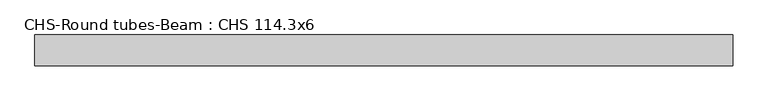
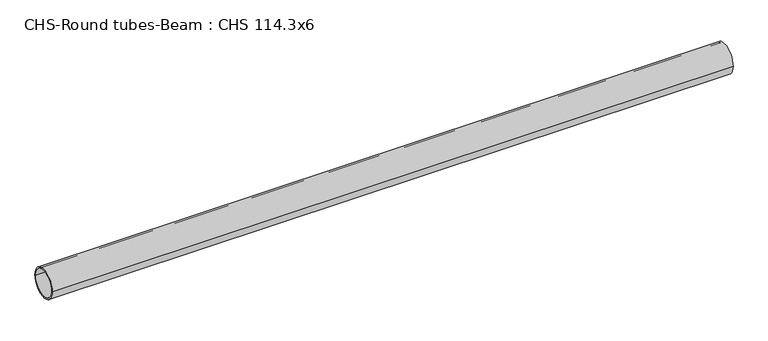
"""IFC4 building model written with IfcOpenShell, lengths in millimetres: beam geometry, CHS-Round tubes-Beam : CHS 114.3x6."""

from ifc_helpers import new_model, si_unit, point, frame, origin, origin_2d, place, context, project, spatial, circle_curve, trimmed, segment, composite_curve, outline, extrude, source, transform, mapped, element, save


def chs_round_tubes_beam_chs_114_3x6_c9d626a5(model_context):
    return source(origin(), model_context, "Body", "SweptSolid", [
        extrude(outline(composite_curve([segment(trimmed(circle_curve(origin_2d(), 57.15), [point((57.15, 0.0))], [point((-57.15, 0.0))], False, "CARTESIAN"), True, "CONTINUOUS"), segment(trimmed(circle_curve(origin_2d(), 57.15), [point((-57.15, 0.0))], [point((57.15, 0.0))], False, "CARTESIAN"), True, "CONTINUOUS")], self_intersect=False), holes=[composite_curve([segment(trimmed(circle_curve(origin_2d(), 51.15), [point((51.15, 0.0))], [point((-51.15, 0.0))], True, "CARTESIAN"), True, "CONTINUOUS"), segment(trimmed(circle_curve(origin_2d(), 51.15), [point((-51.15, 0.0))], [point((51.15, 0.0))], True, "CARTESIAN"), True, "CONTINUOUS")], self_intersect=False)]), frame((-1296.4117722, 0.0, 0.0), z_axis=(1.0, 0.0, 0.0), x_axis=(0.0, 1.0, 0.0)), (0.0, 0.0, 1.0), 2595.4873207),
    ])


if __name__ == "__main__":
    model = new_model("IFC4")
    model_context = context("Model", 3, world=origin())
    ifc_project = project(units=[si_unit("LENGTHUNIT", "METRE", prefix="MILLI")], contexts=[model_context])
    site = spatial("IfcSite", under=ifc_project)
    building = spatial("IfcBuilding", under=site)
    placement = place(None, origin())
    chs_round_tubes_beam_chs_114_3x6_shape = chs_round_tubes_beam_chs_114_3x6_c9d626a5(model_context)
    element("IfcBeam", 1, ObjectType="CHS-Round tubes-Beam : CHS 114.3x6", at=placement, inside=building, context=model_context, shape_type="MappedRepresentation", body=[
        mapped(chs_round_tubes_beam_chs_114_3x6_shape, transform((0.0, 0.0, 0.0), x_axis=(1.0, 0.0, 0.0), y_axis=(0.0, 1.0, 0.0), z_axis=(0.0, 0.0, 1.0))),
    ])
    save(model, "model.ifc")
